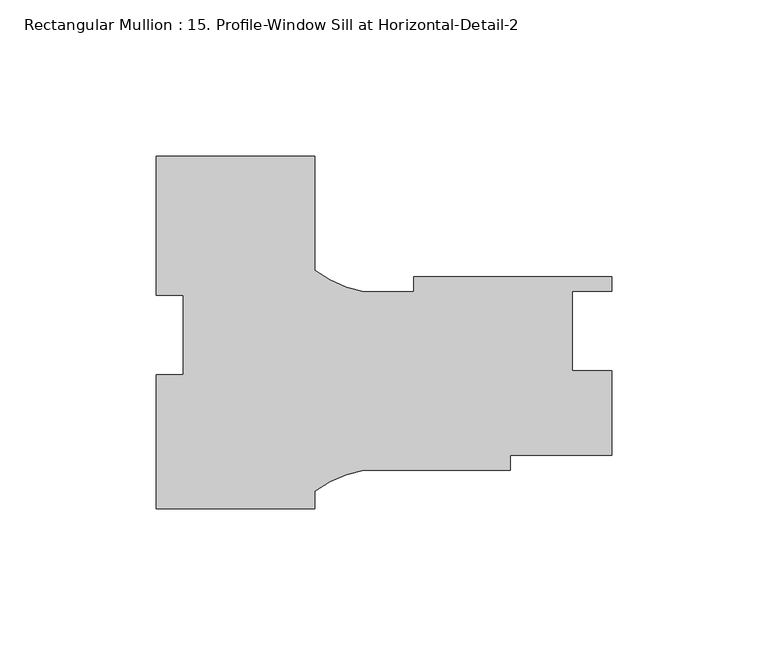
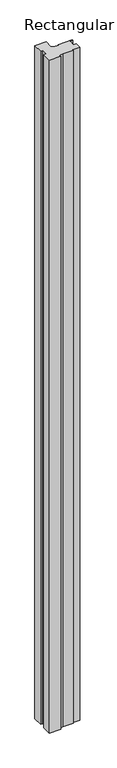
"""IFC4 building model written with IfcOpenShell, lengths in millimetres: member geometry, Rectangular Mullion : 15. Profile-Window Sill at Horizontal-Detail-2."""

from ifc_helpers import new_model, si_unit, point, frame, frame_2d, origin, place, context, project, spatial, polyline, circle_curve, trimmed, segment, composite_curve, outline, extrude, source, transform, mapped, element, save


def rectangular_mullion_15_profile_window_sill_at_horizontal_8408bc21(model_context):
    return source(origin(), model_context, "Body", "SweptSolid", [
        extrude(outline(composite_curve([segment(polyline([(-25.3809496, 14.4026822), (-25.3809496, 58.92165), (25.4190504, 58.92165), (25.4190504, 22.3255546)]), True, "CONTINUOUS"), segment(trimmed(circle_curve(frame_2d((47.603351, 51.8695917)), 36.945816), [point((25.4190504, 22.3255546))], [point((41.2377871, 15.476283))], True, "CARTESIAN"), True, "CONTINUOUS"), segment(polyline([(41.2377871, 15.476283), (57.1881008, 15.476283), (57.1881008, 20.238783), (120.6690504, 20.238783), (120.6690504, 15.539783), (107.9690504, 15.539783), (107.9690504, -9.860217), (120.6881008, -9.860217), (120.6881008, -36.911217), (88.1448834, -36.911217), (88.1448834, -41.673717), (41.2363365, -41.673717)]), True, "CONTINUOUS"), segment(trimmed(circle_curve(frame_2d((47.603351, -78.0667719)), 36.945816), [point((41.2363365, -41.673717))], [point((25.4190504, -48.5227348))], True, "CARTESIAN"), True, "CONTINUOUS"), segment(polyline([(25.4190504, -48.5227348), (25.4190504, -54.15915), (-25.3809496, -54.15915), (-25.3809496, -11.0850161), (-16.6496996, -11.0850161), (-16.6496996, 14.4026822), (-25.3809496, 14.4026822)]), True, "CONTINUOUS")], self_intersect=False)), frame((0.0, 0.0, -3200.4), z_axis=(0.0, 0.0, 1.0), x_axis=(1.0, 0.0, 0.0)), (0.0, 0.0, 1.0), 3200.4),
    ])


if __name__ == "__main__":
    model = new_model("IFC4")
    model_context = context("Model", 3, world=origin())
    ifc_project = project(units=[si_unit("LENGTHUNIT", "METRE", prefix="MILLI")], contexts=[model_context])
    site = spatial("IfcSite", under=ifc_project)
    building = spatial("IfcBuilding", under=site)
    placement = place(None, origin())
    rectangular_mullion_15_profile_window_sill_at_horizontal_shape = rectangular_mullion_15_profile_window_sill_at_horizontal_8408bc21(model_context)
    element("IfcMember", 1, ObjectType="Rectangular Mullion : 15. Profile-Window Sill at Horizontal-Detail-2", at=placement, inside=building, context=model_context, shape_type="MappedRepresentation", body=[
        mapped(rectangular_mullion_15_profile_window_sill_at_horizontal_shape, transform((0.0, 0.0, 0.0), x_axis=(1.0, 0.0, 0.0), y_axis=(0.0, 1.0, 0.0), z_axis=(0.0, 0.0, 1.0))),
    ])
    save(model, "model.ifc")
